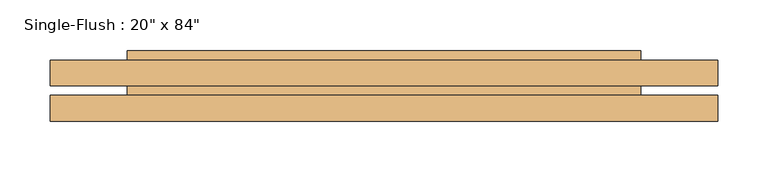
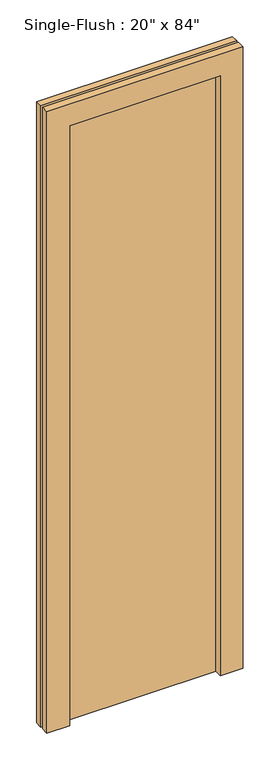
"""IFC4 building model written with IfcOpenShell, lengths in millimetres: door geometry."""

from ifc_helpers import new_model, si_unit, frame, origin, origin_with_axes, place, context, project, spatial, polyline, outline, extrude, source, transform, mapped, element, save


def door_4b1dd649(model_context):
    return source(origin(), model_context, "Body", "SweptSolid", [
        extrude(outline(polyline([(2209.8, -330.2), (0.0, -330.2), (0.0, -254.0), (2133.6, -254.0), (2133.6, 254.0), (0.0, 254.0), (0.0, 330.2), (2209.8, 330.2), (2209.8, -330.2)])), frame((0.0, -30.1625, 0.0), z_axis=(0.0, 1.0, 0.0), x_axis=(0.0, 0.0, 1.0)), (0.0, 0.0, 1.0), 25.4),
        extrude(outline(polyline([(2209.8, 330.2), (2209.8, -330.2), (0.0, -330.2), (0.0, -254.0), (2133.6, -254.0), (2133.6, 254.0), (0.0, 254.0), (0.0, 330.2), (2209.8, 330.2)])), frame((0.0, 4.7625, 0.0), z_axis=(0.0, 1.0, 0.0), x_axis=(0.0, 0.0, 1.0)), (0.0, 0.0, 1.0), 25.4),
        extrude(outline(polyline([(254.0, 39.6875), (254.0, -4.7625), (-254.0, -4.7625), (-254.0, 39.6875), (254.0, 39.6875)])), origin_with_axes(), (0.0, 0.0, 1.0), 2133.6),
    ])


if __name__ == "__main__":
    model = new_model("IFC4")
    model_context = context("Model", 3, world=origin())
    ifc_project = project(units=[si_unit("LENGTHUNIT", "METRE", prefix="MILLI")], contexts=[model_context])
    site = spatial("IfcSite", under=ifc_project)
    building = spatial("IfcBuilding", under=site)
    placement = place(None, origin())
    door_shape = door_4b1dd649(model_context)
    element("IfcDoor", 1, ObjectType="Single-Flush : 20\" x 84\"", at=placement, inside=building, context=model_context, shape_type="MappedRepresentation", body=[
        mapped(door_shape, transform((0.0, 0.0, 0.0), x_axis=(1.0, 0.0, 0.0), y_axis=(0.0, 1.0, 0.0), z_axis=(0.0, 0.0, 1.0))),
    ])
    save(model, "model.ifc")
